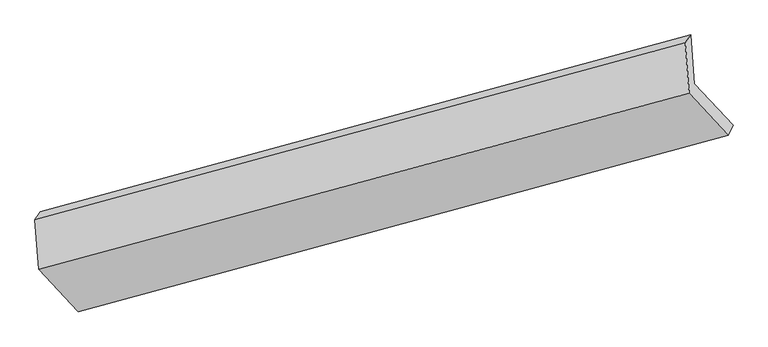
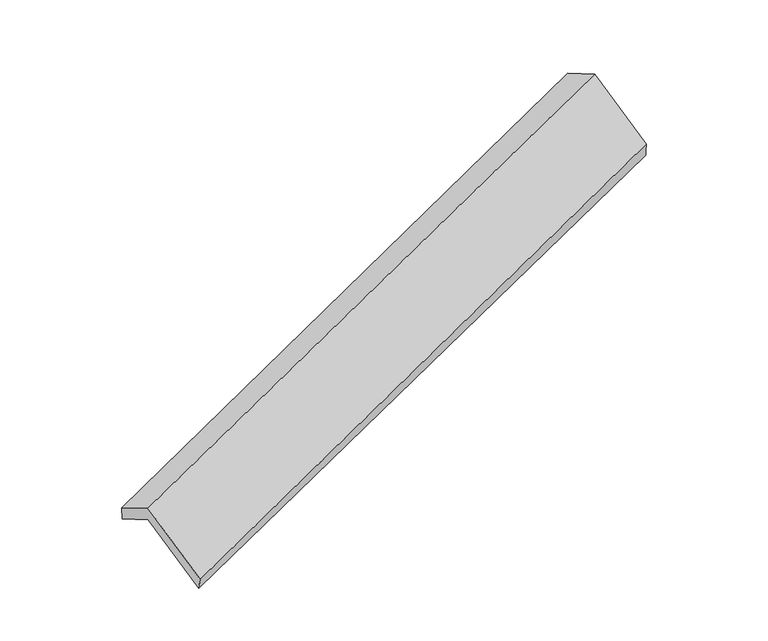
"""IFC4 building model written with IfcOpenShell, lengths in millimetres: proxy geometry."""

from ifc_helpers import new_model, si_unit, frame, origin, place, context, project, spatial, source, transform, mapped, element, save
from ifc_brep_helpers import plane_surface, spline_surface, advanced_brep


def generic_models_02f18ac6(model_context):
    return source(origin(), model_context, "Body", "AdvancedBrep", [
        advanced_brep(
        [(-5149.8596479, -2097.7028561, 1309.8729362), (-5174.9200895, -1763.8941512, 1121.1098719), (-722.2680724, -552.0276268, 2693.3940845), (-697.2076309, -885.8363317, 2882.1571488), (-5211.1885303, -1817.9454727, 1267.6234511), (-758.5365132, -606.0789482, 2839.9076637), (-5185.8504062, -2155.4529489, 1458.4781068), (-732.5462857, -952.2725358, 3035.6741655), (-4914.6111735, -2447.1972483, 906.5472401), (-465.2919326, -1239.7307078, 2491.8519268), (-4888.2938882, -2379.04239, 777.6261257), (-431.6569916, -1171.4619929, 2341.8017104)],
        [
            (0, 1),
            (1, 2),
            (2, 3),
            (3, 0),
            (1, 4),
            (4, 5),
            (5, 2),
            (4, 6),
            (6, 7),
            (7, 5),
            (6, 8),
            (8, 9),
            (9, 7),
            (8, 10),
            (10, 11),
            (11, 9),
            (10, 0),
            (3, 11),
        ],
        [
            plane_surface(frame((-5162.3898687, -1930.7985036, 1215.4914041), z_axis=(0.40223775699290365, -0.42758922174893477, -0.8095506434395925), x_axis=(-0.06521033789281491, 0.8686111280085524, -0.49118460901336775))),
            plane_surface(frame((-5193.0543099, -1790.9198119, 1194.3666615), z_axis=(-0.3359069209009305, 0.9076436086373606, 0.2516935044664564), x_axis=(-0.22622234854928935, -0.3371420612980938, 0.9138701655708629))),
            plane_surface(frame((-5198.5194682, -1986.6992108, 1363.050779), z_axis=(-0.4022377569929019, 0.427589221748894, 0.809550643439615), x_axis=(0.06521033789281515, -0.8686111280085775, 0.4911846090133236))),
            plane_surface(frame((-5050.2307899, -2301.3250986, 1182.5126735), z_axis=(0.06145663393748843, -0.8696237246433833, 0.48987514703487756), x_axis=(0.39848795513660434, -0.4286127347404222, -0.8108627955637033))),
            spline_surface(1, 1, [[(-4914.6111735, -2447.1972483, 906.5472401), (-465.2919326, -1239.7307078, 2491.8519268)], [(-4888.2938882, -2379.04239, 777.6261257), (-431.6569916, -1171.4619929, 2341.8017104)]], [2, 2], [2, 2], [0.0, 1.0], [0.0, 1.0]),
            plane_surface(frame((-5019.0767681, -2238.372623, 1043.749531), z_axis=(-0.06333361125898357, 0.8691192569043391, -0.4905309072453492), x_axis=(-0.39848795513659874, 0.4286127347404433, 0.8108627955636949))),
            plane_surface(frame((-634.5845711, -901.2346905, 2714.1311166), z_axis=(0.914852426046386, 0.24860778732370659, 0.31818109095144675), x_axis=(0.19991426902436155, 0.4057652490306728, -0.8918457533225863))),
            plane_surface(frame((-5087.4539559, -2110.2058445, 1140.209622), z_axis=(-0.9148524260463811, -0.24860778732376154, -0.3181810909514172), x_axis=(0.39848795513659907, -0.428612734740428, -0.8108627955637028))),
        ],
        [
            (0, [[1, 2, 3, 4]]),
            (1, [[5, 6, 7, -2]]),
            (2, [[8, 9, 10, -6]]),
            (3, [[11, 12, 13, -9]]),
            (4, [[14, 15, 16, -12]]),
            (5, [[17, -4, 18, -15]]),
            (6, [[-16, -18, -3, -7, -10, -13]]),
            (7, [[-17, -14, -11, -8, -5, -1]]),
        ],
    ),
    ])


if __name__ == "__main__":
    model = new_model("IFC4")
    model_context = context("Model", 3, world=origin())
    ifc_project = project(units=[si_unit("LENGTHUNIT", "METRE", prefix="MILLI")], contexts=[model_context])
    site = spatial("IfcSite", under=ifc_project)
    building = spatial("IfcBuilding", under=site)
    placement = place(None, origin())
    generic_models_shape = generic_models_02f18ac6(model_context)
    element("IfcBuildingElementProxy", 1, Name="Generic Models", at=placement, inside=building, context=model_context, shape_type="MappedRepresentation", body=[
        mapped(generic_models_shape, transform((0.0, 0.0, 0.0), x_axis=(1.0, 0.0, 0.0), y_axis=(0.0, 1.0, 0.0), z_axis=(0.0, 0.0, 1.0))),
    ])
    save(model, "model.ifc")
